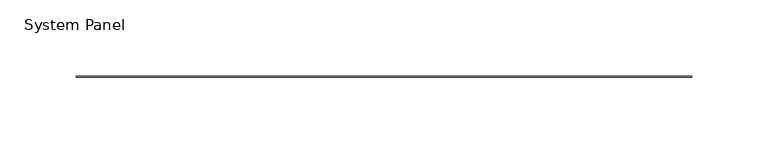
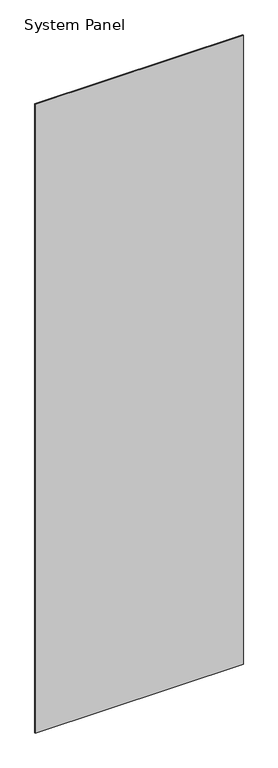
"""IFC4 building model written with IfcOpenShell, lengths in millimetres: plate geometry, System Panel."""

from ifc_helpers import new_model, si_unit, origin, origin_with_axes, place, context, project, spatial, polyline, outline, extrude, source, transform, mapped, element, save


def system_panel_97c11969(model_context):
    return source(origin(), model_context, "Body", "SweptSolid", [
        extrude(outline(polyline([(201.5490002, -0.2976563), (-201.5490002, -0.2976563), (-201.5490002, 0.2976563), (201.5490002, 0.2976563), (201.5490002, -0.2976563)])), origin_with_axes(), (0.0, 0.0, 1.0), 1285.875),
    ])


if __name__ == "__main__":
    model = new_model("IFC4")
    model_context = context("Model", 3, world=origin())
    ifc_project = project(units=[si_unit("LENGTHUNIT", "METRE", prefix="MILLI")], contexts=[model_context])
    site = spatial("IfcSite", under=ifc_project)
    building = spatial("IfcBuilding", under=site)
    placement = place(None, origin())
    system_panel_shape = system_panel_97c11969(model_context)
    element("IfcPlate", 1, ObjectType="System Panel", at=placement, inside=building, context=model_context, shape_type="MappedRepresentation", body=[
        mapped(system_panel_shape, transform((0.0, 0.0, 0.0), x_axis=(1.0, 0.0, 0.0), y_axis=(0.0, 1.0, 0.0), z_axis=(0.0, 0.0, 1.0))),
    ])
    save(model, "model.ifc")
